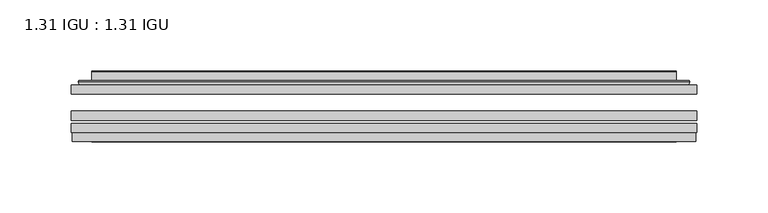
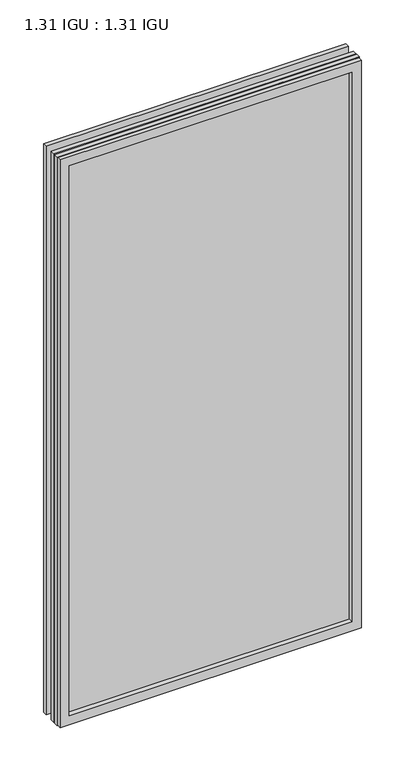
"""IFC4 building model written with IfcOpenShell, lengths in millimetres: plate geometry, 1.31 IGU : 1.31 IGU."""

from ifc_helpers import new_model, si_unit, frame, origin, place, context, project, spatial, polyline, ellipse_curve, outline, extrude, faceted_brep, source, transform, mapped, element, save
from ifc_brep_helpers import plane_surface, cylinder_surface, advanced_brep


def plate_1_31_igu_1_31_igu_154202e4(model_context):
    return source(origin(), model_context, "Body", "SolidModel", [
        extrude(outline(polyline([(219.089175, -63.59525), (219.089175, -69.94525), (-219.075, -69.94525), (-219.075, -63.59525), (219.089175, -63.59525)])), frame((0.0, 0.0, -14.2875), z_axis=(0.0, 0.0, 1.0), x_axis=(1.0, 0.0, 0.0)), (0.0, 0.0, 1.0), 869.9537979),
        extrude(outline(polyline([(-219.075, -78.58125), (-219.075, -72.230745), (219.089175, -72.230745), (219.089175, -78.58125), (-219.075, -78.58125)])), frame((0.0, 0.0, -14.2875), z_axis=(0.0, 0.0, 1.0), x_axis=(1.0, 0.0, 0.0)), (0.0, 0.0, 1.0), 869.9537979),
        extrude(outline(polyline([(219.089175, -45.25645), (219.089175, -51.60645), (-219.075, -51.60645), (-219.075, -45.25645), (219.089175, -45.25645)])), frame((0.0, 0.0, -14.2875), z_axis=(0.0, 0.0, 1.0), x_axis=(1.0, 0.0, 0.0)), (0.0, 0.0, 1.0), 869.9537979),
        faceted_brep([(-218.3748142, -84.93125, 854.9623142), (-218.3748142, -78.58125, 854.9623142), (-218.3748142, -78.58125, -13.5873142), (-218.3748142, -84.93125, -13.5873142), (218.3748142, -78.58125, -13.5873142), (218.3748142, -84.93125, -13.5873142), (218.3748142, -78.58125, 854.9623142), (218.3748142, -84.93125, 854.9623142), (-203.8897559, -78.58125, 0.8977441), (203.8897559, -78.58125, 0.8977441), (203.8897559, -78.58125, 840.4772559), (-203.8897559, -78.58125, 840.4772559), (-204.7821902, -84.93125, 841.3696902), (204.7821902, -84.93125, 841.3696902), (204.7821902, -84.93125, 0.0053098), (-204.7821902, -84.93125, 0.0053098)], [[[0, 1, 2, 3]], [[3, 2, 4, 5]], [[5, 4, 6, 7]], [[1, 6, 4, 2], [8, 9, 10, 11]], [[7, 6, 1, 0]], [[3, 5, 7, 0], [12, 13, 14, 15]], [[11, 12, 15, 8]], [[8, 15, 14, 9]], [[9, 14, 13, 10]], [[10, 13, 12, 11]]]),
        advanced_brep(
        [(-211.833719, -45.25645, 848.421219), (-214.1879244, -43.2667833, 850.7754244), (-214.1879244, -43.2667833, -9.4004244), (-211.833719, -45.25645, -7.046219), (-202.7593939, -41.416413, 839.3468939), (-197.8245621, -45.25645, 834.4120621), (-197.8245621, -45.25645, 6.9629379), (-202.7593939, -41.416413, 2.0281061), (-203.7914217, -36.0191819, 840.3789217), (-203.7914217, -36.0191819, 0.9960783), (-204.7820784, -35.6202069, 841.3695784), (-204.7820784, -35.6202069, 0.0054216), (-204.7820784, -42.08145, 841.3695784), (-204.7820784, -42.08145, 0.0054216), (-213.1861349, -42.08145, 849.7736349), (-213.1861349, -42.08145, -8.3986349), (214.1879244, -43.2667833, -9.4004244), (211.833719, -45.25645, -7.046219), (197.8245621, -45.25645, 6.9629379), (202.7593939, -41.416413, 2.0281061), (203.7914217, -36.0191819, 0.9960783), (204.7820784, -35.6202069, 0.0054216), (204.7820784, -42.08145, 0.0054216), (213.1861349, -42.08145, -8.3986349), (214.1879244, -43.2667833, 850.7754244), (211.833719, -45.25645, 848.421219), (197.8245621, -45.25645, 834.4120621), (202.7593939, -41.416413, 839.3468939), (203.7914217, -36.0191819, 840.3789217), (204.7820784, -35.6202069, 841.3695784), (204.7820784, -42.08145, 841.3695784), (213.1861349, -42.08145, 849.7736349)],
        [
            (0, 1, ellipse_curve(frame((-211.833719, -42.86885, 848.421219), z_axis=(-0.7071067811865475, 0.0, -0.7071067811865475), x_axis=(-0.7071067811865474, 0.0, 0.7071067811865476)), 3.3765763, 2.3876)),
            (1, 2),
            (2, 3, ellipse_curve(frame((-211.833719, -42.86885, -7.046219), z_axis=(-0.7071067811865475, 0.0, 0.7071067811865475), x_axis=(0.7071067811865474, 0.0, 0.7071067811865476)), 3.3765763, 2.3876)),
            (3, 0),
            (4, 5),
            (5, 6),
            (6, 7),
            (7, 4),
            (8, 4),
            (7, 9),
            (9, 8),
            (10, 8, ellipse_curve(frame((-204.4151219, -36.1384423, 841.0026219), z_axis=(-0.7071067811865475, 0.0, -0.7071067811865475), x_axis=(-0.7071067811865474, 0.0, 0.7071067811865476)), 0.8980256, 0.635)),
            (9, 11, ellipse_curve(frame((-204.4151219, -36.1384423, 0.3723781), z_axis=(-0.7071067811865475, 0.0, 0.7071067811865475), x_axis=(0.7071067811865474, 0.0, 0.7071067811865476)), 0.8980256, 0.635)),
            (11, 10),
            (12, 10),
            (11, 13),
            (13, 12),
            (1, 14, ellipse_curve(frame((-213.1861349, -43.09745, 849.7736349), z_axis=(-0.7071067811865475, 0.0, -0.7071067811865475), x_axis=(-0.7071067811865474, 0.0, 0.7071067811865476)), 1.436841, 1.016)),
            (14, 15),
            (15, 2, ellipse_curve(frame((-213.1861349, -43.09745, -8.3986349), z_axis=(-0.7071067811865475, 0.0, 0.7071067811865475), x_axis=(0.7071067811865474, 0.0, 0.7071067811865476)), 1.436841, 1.016)),
            (2, 16),
            (16, 17, ellipse_curve(frame((211.833719, -42.86885, -7.046219), z_axis=(-0.7071067811865475, 0.0, -0.7071067811865475), x_axis=(-0.7071067811865476, 0.0, 0.7071067811865474)), 3.3765763, 2.3876)),
            (17, 3),
            (6, 18),
            (18, 19),
            (19, 7),
            (19, 20),
            (20, 9),
            (20, 21, ellipse_curve(frame((204.4151219, -36.1384423, 0.3723781), z_axis=(-0.7071067811865475, 0.0, -0.7071067811865475), x_axis=(-0.7071067811865476, 0.0, 0.7071067811865474)), 0.8980256, 0.635)),
            (21, 11),
            (21, 22),
            (22, 13),
            (15, 23),
            (23, 16, ellipse_curve(frame((213.1861349, -43.09745, -8.3986349), z_axis=(-0.7071067811865475, 0.0, -0.7071067811865475), x_axis=(-0.7071067811865476, 0.0, 0.7071067811865474)), 1.436841, 1.016)),
            (16, 24),
            (24, 25, ellipse_curve(frame((211.833719, -42.86885, 848.421219), z_axis=(0.7071067811865475, 0.0, -0.7071067811865475), x_axis=(-0.7071067811865474, 0.0, -0.7071067811865476)), 3.3765763, 2.3876)),
            (25, 17),
            (18, 26),
            (26, 27),
            (27, 19),
            (27, 28),
            (28, 20),
            (28, 29, ellipse_curve(frame((204.4151219, -36.1384423, 841.0026219), z_axis=(0.7071067811865475, 0.0, -0.7071067811865475), x_axis=(-0.7071067811865474, 0.0, -0.7071067811865476)), 0.8980256, 0.635)),
            (29, 21),
            (29, 30),
            (30, 22),
            (23, 31),
            (31, 24, ellipse_curve(frame((213.1861349, -43.09745, 849.7736349), z_axis=(0.7071067811865475, 0.0, -0.7071067811865475), x_axis=(-0.7071067811865474, 0.0, -0.7071067811865476)), 1.436841, 1.016)),
            (24, 1),
            (0, 25),
            (5, 26),
            (4, 27),
            (8, 28),
            (10, 29),
            (12, 30),
            (14, 31),
        ],
        [
            cylinder_surface(frame((-211.833719, -42.86885, 873.125), z_axis=(0.0, 0.0, 1.0), x_axis=(-1.0, 0.0, 0.0)), 2.3876),
            plane_surface(frame((-197.8245621, -45.25645, 834.4120621), z_axis=(0.6141233906514794, 0.7892100234124821, 0.0), x_axis=(0.0, 0.0, -1.0))),
            plane_surface(frame((-202.7593939, -41.416413, 839.3468939), z_axis=(0.9822050625507729, 0.18781164793386076, 0.0), x_axis=(0.0, 0.0, -1.0))),
            cylinder_surface(frame((-204.4151219, -36.1384423, 873.125), z_axis=(0.0, 0.0, 1.0), x_axis=(-1.0, 0.0, 0.0)), 0.635),
            plane_surface(frame((-204.7820784, -35.6202069, 841.3695784), z_axis=(-1.0, 0.0, 0.0), x_axis=(0.0, 0.0, -1.0))),
            cylinder_surface(frame((-213.1861349, -43.09745, 873.125), z_axis=(0.0, 0.0, 1.0), x_axis=(-1.0, 0.0, 0.0)), 1.016),
            cylinder_surface(frame((-236.5375, -42.86885, -7.046219), z_axis=(-1.0, 0.0, 0.0), x_axis=(0.0, 0.0, -1.0)), 2.3876),
            plane_surface(frame((-197.8245621, -45.25645, 6.9629379), z_axis=(0.0, 0.7892100234124841, 0.6141233906514768), x_axis=(1.0, 0.0, 0.0))),
            plane_surface(frame((-202.7593939, -41.416413, 2.0281061), z_axis=(0.0, 0.18781164793386393, 0.9822050625507723), x_axis=(1.0, 0.0, 0.0))),
            cylinder_surface(frame((-236.5375, -36.1384423, 0.3723781), z_axis=(-1.0, 0.0, 0.0), x_axis=(0.0, 0.0, -1.0)), 0.635),
            plane_surface(frame((-204.7820784, -35.6202069, 0.0054216), z_axis=(0.0, 0.0, -1.0), x_axis=(1.0, 0.0, 0.0))),
            cylinder_surface(frame((-236.5375, -43.09745, -8.3986349), z_axis=(-1.0, 0.0, 0.0), x_axis=(0.0, 0.0, -1.0)), 1.016),
            cylinder_surface(frame((211.833719, -42.86885, -31.75), z_axis=(0.0, 0.0, -1.0), x_axis=(1.0, 0.0, 0.0)), 2.3876),
            plane_surface(frame((197.8245621, -45.25645, 6.9629379), z_axis=(-0.6141233906514743, 0.7892100234124861, 0.0), x_axis=(0.0, 0.0, 1.0))),
            plane_surface(frame((202.7593939, -41.416413, 2.0281061), z_axis=(-0.9822050625507718, 0.1878116479338671, 0.0), x_axis=(0.0, 0.0, 1.0))),
            cylinder_surface(frame((204.4151219, -36.1384423, -31.75), z_axis=(0.0, 0.0, -1.0), x_axis=(1.0, 0.0, 0.0)), 0.635),
            plane_surface(frame((204.7820784, -35.6202069, 0.0054216), z_axis=(1.0, 0.0, 0.0), x_axis=(0.0, 0.0, 1.0))),
            cylinder_surface(frame((213.1861349, -43.09745, -31.75), z_axis=(0.0, 0.0, -1.0), x_axis=(1.0, 0.0, 0.0)), 1.016),
            cylinder_surface(frame((236.5375, -42.86885, 848.421219), z_axis=(1.0, 0.0, 0.0), x_axis=(0.0, 0.0, 1.0)), 2.3876),
            plane_surface(frame((211.833719, -45.25645, 848.421219), z_axis=(0.0, -1.0, 0.0), x_axis=(-1.0, 0.0, 0.0))),
            plane_surface(frame((197.8245621, -45.25645, 834.4120621), z_axis=(0.0, 0.7892100234124841, -0.6141233906514768), x_axis=(-1.0, 0.0, 0.0))),
            plane_surface(frame((202.7593939, -41.416413, 839.3468939), z_axis=(0.0, 0.18781164793386393, -0.9822050625507723), x_axis=(-1.0, 0.0, 0.0))),
            cylinder_surface(frame((236.5375, -36.1384423, 841.0026219), z_axis=(1.0, 0.0, 0.0), x_axis=(0.0, 0.0, 1.0)), 0.635),
            plane_surface(frame((204.7820784, -35.6202069, 841.3695784), z_axis=(0.0, 0.0, 1.0), x_axis=(-1.0, 0.0, 0.0))),
            plane_surface(frame((204.7820784, -42.08145, 841.3695784), z_axis=(0.0, 1.0, 0.0), x_axis=(-1.0, 0.0, 0.0))),
            cylinder_surface(frame((236.5375, -43.09745, 849.7736349), z_axis=(1.0, 0.0, 0.0), x_axis=(0.0, 0.0, 1.0)), 1.016),
        ],
        [
            (0, [[1, 2, 3, 4]]),
            (1, [[5, 6, 7, 8]]),
            (2, [[9, -8, 10, 11]]),
            (3, [[12, -11, 13, 14]]),
            (4, [[15, -14, 16, 17]]),
            (5, [[18, 19, 20, -2]]),
            (6, [[-3, 21, 22, 23]]),
            (7, [[-7, 24, 25, 26]]),
            (8, [[-10, -26, 27, 28]]),
            (9, [[-13, -28, 29, 30]]),
            (10, [[-16, -30, 31, 32]]),
            (11, [[-20, 33, 34, -21]]),
            (12, [[-22, 35, 36, 37]]),
            (13, [[-25, 38, 39, 40]]),
            (14, [[-27, -40, 41, 42]]),
            (15, [[-29, -42, 43, 44]]),
            (16, [[-31, -44, 45, 46]]),
            (17, [[-34, 47, 48, -35]]),
            (18, [[-36, 49, -1, 50]]),
            (19, [[-23, -37, -50, -4], [51, -38, -24, -6]]),
            (20, [[-39, -51, -5, 52]]),
            (21, [[-41, -52, -9, 53]]),
            (22, [[-43, -53, -12, 54]]),
            (23, [[-45, -54, -15, 55]]),
            (24, [[56, -47, -33, -19], [-32, -46, -55, -17]]),
            (25, [[-48, -56, -18, -49]]),
        ],
    ),
    ])


if __name__ == "__main__":
    model = new_model("IFC4")
    model_context = context("Model", 3, world=origin())
    ifc_project = project(units=[si_unit("LENGTHUNIT", "METRE", prefix="MILLI")], contexts=[model_context])
    site = spatial("IfcSite", under=ifc_project)
    building = spatial("IfcBuilding", under=site)
    placement = place(None, origin())
    plate_1_31_igu_1_31_igu_shape = plate_1_31_igu_1_31_igu_154202e4(model_context)
    element("IfcPlate", 1, ObjectType="1.31 IGU : 1.31 IGU", at=placement, inside=building, context=model_context, shape_type="MappedRepresentation", body=[
        mapped(plate_1_31_igu_1_31_igu_shape, transform((0.0, 0.0, 0.0), x_axis=(1.0, 0.0, 0.0), y_axis=(0.0, 1.0, 0.0), z_axis=(0.0, 0.0, 1.0))),
    ])
    save(model, "model.ifc")
